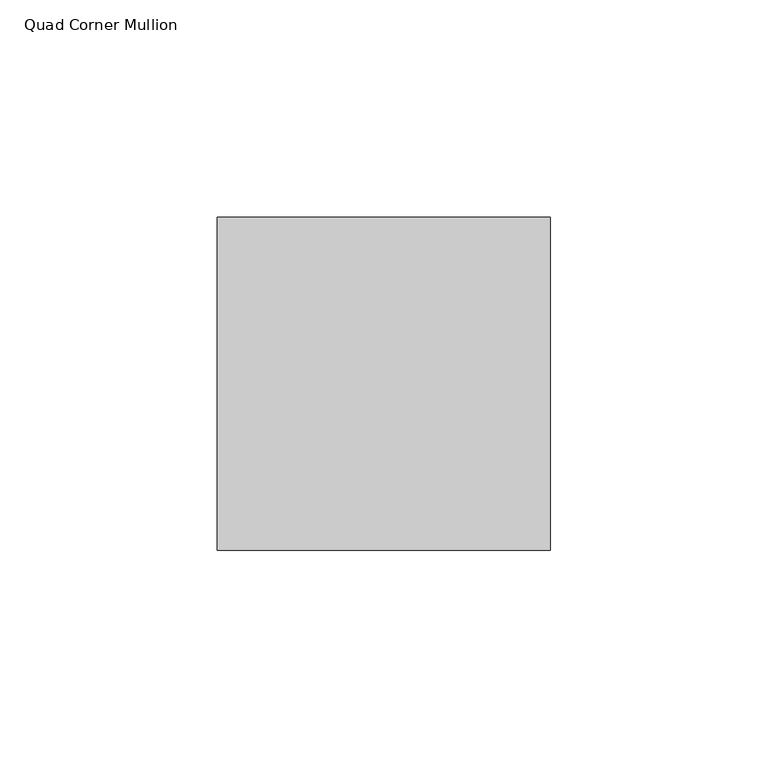
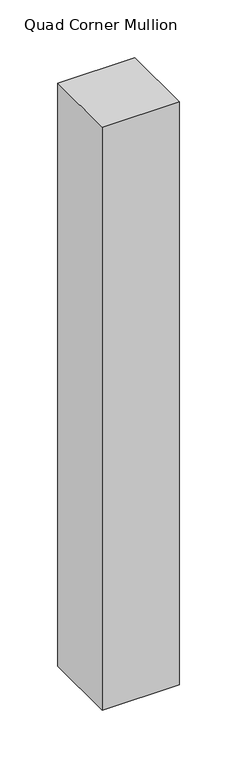
"""IFC4 building model written with IfcOpenShell, lengths in millimetres: member geometry, Quad Corner Mullion."""

from ifc_helpers import new_model, si_unit, frame, origin, place, context, project, spatial, polyline, outline, extrude, source, transform, mapped, element, save


def quad_corner_mullion_1912d3b1(model_context):
    return source(origin(), model_context, "Body", "SweptSolid", [
        extrude(outline(polyline([(38.1496094, -38.5464844), (-38.5464844, -38.5464844), (-38.5464844, 38.1496094), (38.1496094, 38.1496094), (38.1496094, -38.5464844)])), frame((0.0, 0.0, -614.8916289), z_axis=(0.0, 0.0, 1.0), x_axis=(1.0, 0.0, 0.0)), (0.0, 0.0, 1.0), 614.8916289),
    ])


if __name__ == "__main__":
    model = new_model("IFC4")
    model_context = context("Model", 3, world=origin())
    ifc_project = project(units=[si_unit("LENGTHUNIT", "METRE", prefix="MILLI")], contexts=[model_context])
    site = spatial("IfcSite", under=ifc_project)
    building = spatial("IfcBuilding", under=site)
    placement = place(None, origin())
    quad_corner_mullion_shape = quad_corner_mullion_1912d3b1(model_context)
    element("IfcMember", 1, ObjectType="Quad Corner Mullion", at=placement, inside=building, context=model_context, shape_type="MappedRepresentation", body=[
        mapped(quad_corner_mullion_shape, transform((0.0, 0.0, 0.0), x_axis=(1.0, 0.0, 0.0), y_axis=(0.0, 1.0, 0.0), z_axis=(0.0, 0.0, 1.0))),
    ])
    save(model, "model.ifc")
